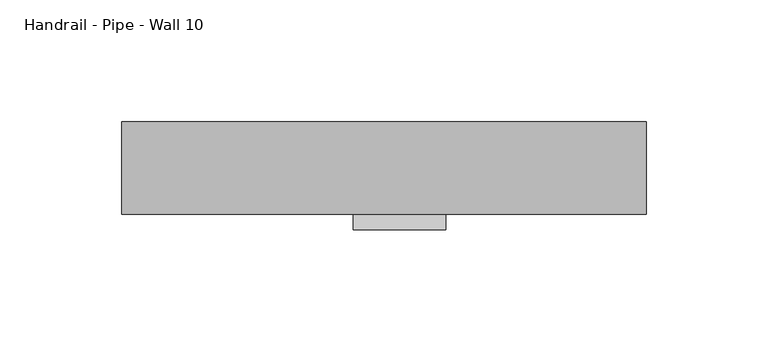
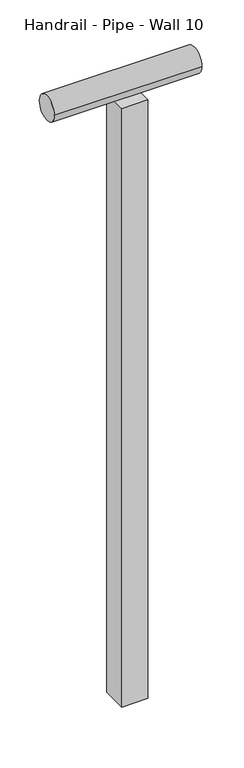
"""IFC4 building model written with IfcOpenShell, lengths in millimetres: railing geometry, Handrail - Pipe - Wall 10."""

from ifc_helpers import new_model, si_unit, point, frame, frame_2d, origin, place, context, project, spatial, polyline, circle_curve, trimmed, segment, composite_curve, outline, extrude, source, transform, mapped, element, save


def handrail_pipe_wall_10_ffc49a92(model_context):
    return source(origin(), model_context, "Body", "SweptSolid", [
        extrude(outline(composite_curve([segment(trimmed(circle_curve(frame_2d((33437.8742063, -10331.45)), 19.05), [point((33456.9242063, -10331.45))], [point((33418.8242063, -10331.45))], False, "CARTESIAN"), True, "CONTINUOUS"), segment(trimmed(circle_curve(frame_2d((33437.8742063, -10331.45)), 19.05), [point((33418.8242063, -10331.45))], [point((33456.9242063, -10331.45))], False, "CARTESIAN"), True, "CONTINUOUS")], self_intersect=False)), frame((-19364.1127123, 0.0, 0.0), z_axis=(1.0, 0.0, 0.0), x_axis=(0.0, 1.0, 0.0)), (0.0, 0.0, 1.0), 215.9),
        extrude(outline(polyline([(-19268.8627123, 33412.4742063), (-19268.8627123, 33450.5742063), (-19230.7627123, 33450.5742063), (-19230.7627123, 33412.4742063), (-19268.8627123, 33412.4742063)])), frame((0.0, 0.0, -11277.6), z_axis=(0.0, 0.0, 1.0), x_axis=(1.0, 0.0, 0.0)), (0.0, 0.0, 1.0), 927.1),
    ])


if __name__ == "__main__":
    model = new_model("IFC4")
    model_context = context("Model", 3, world=origin())
    ifc_project = project(units=[si_unit("LENGTHUNIT", "METRE", prefix="MILLI")], contexts=[model_context])
    site = spatial("IfcSite", under=ifc_project)
    building = spatial("IfcBuilding", under=site)
    placement = place(None, origin())
    handrail_pipe_wall_10_shape = handrail_pipe_wall_10_ffc49a92(model_context)
    element("IfcRailing", 1, ObjectType="Handrail - Pipe - Wall 10", at=placement, inside=building, context=model_context, shape_type="MappedRepresentation", body=[
        mapped(handrail_pipe_wall_10_shape, transform((0.0, 0.0, 0.0), x_axis=(1.0, 0.0, 0.0), y_axis=(0.0, 1.0, 0.0), z_axis=(0.0, 0.0, 1.0))),
    ])
    save(model, "model.ifc")
